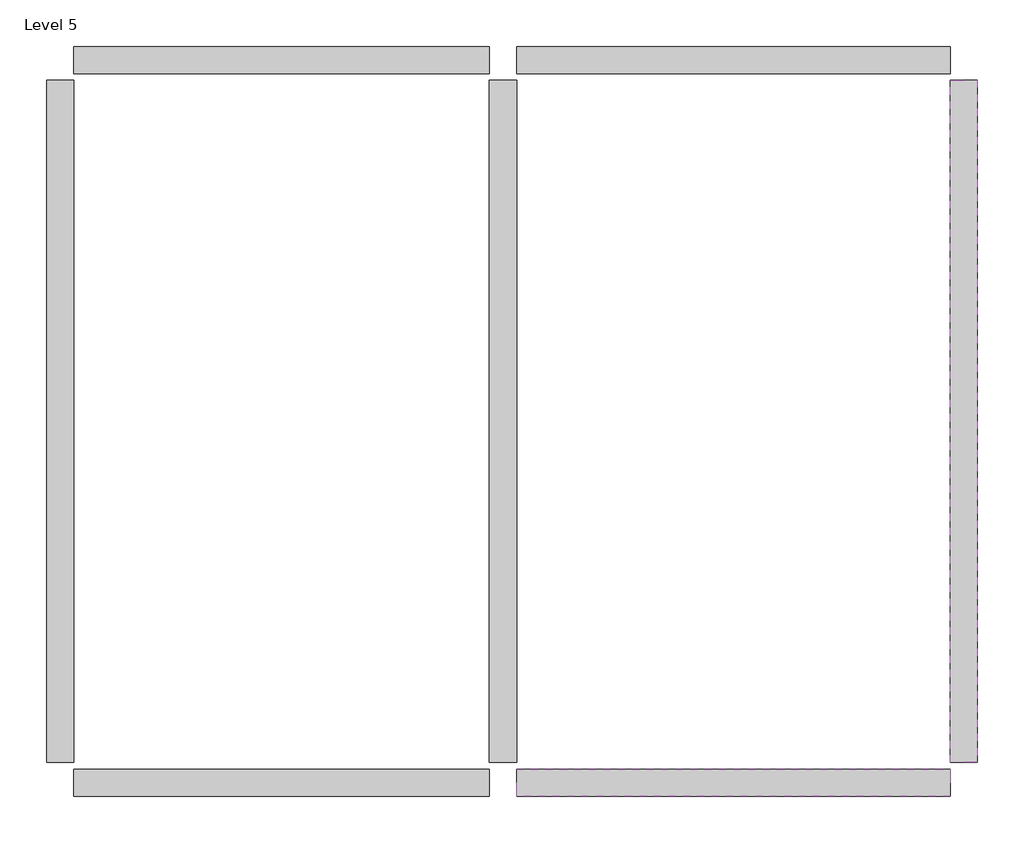
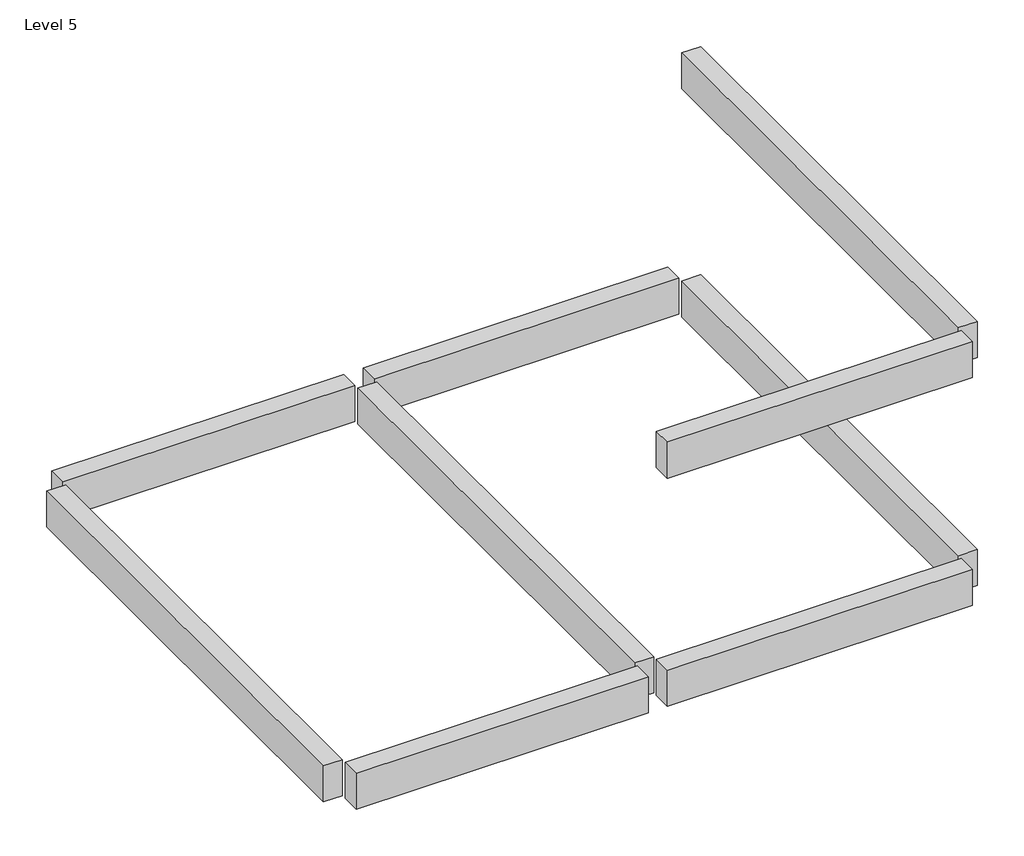
# One storey: 9 beams.
"""IFC4 building model written with IfcOpenShell, lengths in millimetres."""

import ifcopenshell
import ifcopenshell.guid

model = None  # the IFC model being written
_history = None  # IfcOwnerHistory: only IFC2X3 demands one
_inside = {}  # id of a spatial element -> (the spatial element, [elements in it])
_under = {}  # id of a project, library or spatial element -> (it, [spatial elements below it])
_declared = {}  # id of a project -> (the project, [libraries it declares])
_typed = {}  # id of a type object -> (the type object, [elements of that type])
_made_of = {}  # id of a material, layer set ... -> (it, [elements and type objects made of it])


def new_model(schema):
    """Start an empty IFC model of exactly this schema.

    Asked for "IFC4X3", IfcOpenShell would pick the latest addendum, in which some entities
    have other attributes; the version numbers below select the first issue.
    IFC2X3 requires an IfcOwnerHistory on every rooted entity: one is made here for all.
    """
    global model, _history
    if schema == "IFC4X3":
        model = ifcopenshell.file(schema_version=(4, 3, 0, 0))
    else:
        model = ifcopenshell.file(schema=schema)
    _inside.clear()
    _under.clear()
    _declared.clear()
    _typed.clear()
    _made_of.clear()
    _history = None
    if model.schema == "IFC2X3":
        org = make("IfcOrganization", Name="unknown")
        user = make(
            "IfcPersonAndOrganization",
            ThePerson=make("IfcPerson", FamilyName="unknown"),
            TheOrganization=org,
        )
        app = make(
            "IfcApplication",
            ApplicationDeveloper=org,
            Version="unknown",
            ApplicationFullName="unknown",
            ApplicationIdentifier="unknown",
        )
        _history = make(
            "IfcOwnerHistory",
            OwningUser=user,
            OwningApplication=app,
            ChangeAction="ADDED",
            CreationDate=0,
        )
    return model


def make(cls, **values):
    """One entity of the class cls with the attributes given. An attribute that is None is left unset."""
    return model.create_entity(
        cls, **{name: value for name, value in values.items() if value is not None}
    )


def rooted(cls, **values):
    """An entity with a GlobalId (a new one), such as an element, a storey or a relation."""
    return make(cls, GlobalId=ifcopenshell.guid.new(), OwnerHistory=_history, **values)


def si_unit(unit_type, name, prefix=None):
    """IfcSIUnit, for example si_unit("LENGTHUNIT", "METRE", prefix="MILLI")."""
    return make("IfcSIUnit", UnitType=unit_type, Prefix=prefix, Name=name)


def assignment(units):
    """IfcUnitAssignment: the units of a project."""
    return None if units is None else make("IfcUnitAssignment", Units=units)


def point(xyz):
    """IfcCartesianPoint."""
    return None if xyz is None else make("IfcCartesianPoint", Coordinates=xyz)


def direction(xyz):
    """IfcDirection."""
    return None if xyz is None else make("IfcDirection", DirectionRatios=xyz)


def frame(location, z_axis=None, x_axis=None):
    """IfcAxis2Placement3D, a coordinate frame: its origin and axes. An axis left out is left unset."""
    return make(
        "IfcAxis2Placement3D",
        Location=point(location),
        Axis=direction(z_axis),
        RefDirection=direction(x_axis),
    )


def origin():
    """The frame at (0, 0, 0) with its axes left unset."""
    return frame((0.0, 0.0, 0.0))


def place(relative_to, where):
    """IfcLocalPlacement: puts the frame where relative to a parent placement (None: the world)."""
    return make(
        "IfcLocalPlacement", PlacementRelTo=relative_to, RelativePlacement=where
    )


def context(
    kind, dimensions, precision=None, world=None, true_north=None, identifier=None
):
    """IfcGeometricRepresentationContext, for example the 3D "Model" context."""
    return make(
        "IfcGeometricRepresentationContext",
        ContextIdentifier=identifier,
        ContextType=kind,
        CoordinateSpaceDimension=dimensions,
        Precision=precision,
        WorldCoordinateSystem=world,
        TrueNorth=true_north,
    )


def project(units=None, contexts=None):
    """IfcProject with its units and contexts."""
    return rooted(
        "IfcProject",
        Name="project",
        RepresentationContexts=contexts,
        UnitsInContext=assignment(units),
    )


def spatial(cls, under=None, at=None, **own):
    """A site, building, storey or space (cls), placed at a placement, below another one or the project."""
    s = rooted(cls, ObjectPlacement=at, **own)
    if under is not None:
        _under.setdefault(under.id(), (under, []))[1].append(s)
    return s


def polyline(points):
    """IfcPolyline through the points."""
    return make("IfcPolyline", Points=[point(p) for p in points])


def outline(outer, holes=None, kind="AREA"):
    """IfcArbitraryClosedProfileDef: a profile drawn as a closed curve; with holes, ...WithVoids."""
    if holes is None:
        return make("IfcArbitraryClosedProfileDef", ProfileType=kind, OuterCurve=outer)
    return make(
        "IfcArbitraryProfileDefWithVoids",
        ProfileType=kind,
        OuterCurve=outer,
        InnerCurves=holes,
    )


def extrude(swept, where, along, depth):
    """IfcExtrudedAreaSolid: the profile swept, set in the frame where, extruded along a direction by depth."""
    return make(
        "IfcExtrudedAreaSolid",
        SweptArea=swept,
        Position=where,
        ExtrudedDirection=direction(along),
        Depth=depth,
    )


def shape(context_of_items, identifier, shape_type, items):
    """IfcShapeRepresentation: the items that make up one representation, for example the "Body"."""
    return make(
        "IfcShapeRepresentation",
        ContextOfItems=context_of_items,
        RepresentationIdentifier=identifier,
        RepresentationType=shape_type,
        Items=items,
    )


def made_of(thing, what):
    """Note that an element or type object is made of a material, layer set ...; save() writes the relation."""
    if what is not None:
        _made_of.setdefault(what.id(), (what, []))[1].append(thing)
    return thing


def element(
    cls,
    number,
    at=None,
    inside=None,
    cuts=None,
    type_object=None,
    material=None,
    context=None,
    identifier="Body",
    shape_type=None,
    held_by="IfcProductDefinitionShape",
    body=None,
    shapes=None,
    **own,
):
    """One element of the class cls, such as IfcWall. Its Tag is "e" and its number.

    at: its placement. inside: the storey or other place that contains it. cuts: it is an
    opening in that element (IfcRelVoidsElement). A single representation is given by context,
    identifier, shape_type and body (its items); several are given by shapes. held_by: the class
    of the entity that holds the representations. save() writes the other relations.
    """
    e = rooted(cls, Tag="e%d" % number, ObjectPlacement=at, **own)
    if body is not None:
        shapes = [shape(context, identifier, shape_type, body)]
    if shapes is not None:
        e.Representation = make(held_by, Representations=shapes)
    if inside is not None:
        _inside.setdefault(inside.id(), (inside, []))[1].append(e)
    if cuts is not None:
        rooted(
            "IfcRelVoidsElement", RelatingBuildingElement=cuts, RelatedOpeningElement=e
        )
    if type_object is not None:
        _typed.setdefault(type_object.id(), (type_object, []))[1].append(e)
    return made_of(e, material)


def aggregate(whole, parts):
    """IfcRelAggregates: a whole, such as a stair, and the parts it consists of."""
    return rooted("IfcRelAggregates", RelatingObject=whole, RelatedObjects=parts)


def save(model, path):
    """Write the relations noted so far, then the file.

    IfcRelAggregates (storeys below a building ...), IfcRelContainedInSpatialStructure (elements
    in a storey), IfcRelDefinesByType, IfcRelAssociatesMaterial and IfcRelDeclares: one each for
    every whole, place, type object, material and project.
    """
    for whole, parts in _under.values():
        aggregate(whole, parts)
    for where, things in _inside.values():
        rooted(
            "IfcRelContainedInSpatialStructure",
            RelatedElements=things,
            RelatingStructure=where,
        )
    for kind, things in _typed.values():
        rooted("IfcRelDefinesByType", RelatedObjects=things, RelatingType=kind)
    for what, things in _made_of.values():
        rooted("IfcRelAssociatesMaterial", RelatedObjects=things, RelatingMaterial=what)
    for by, libraries in _declared.values():
        rooted("IfcRelDeclares", RelatingContext=by, RelatedDefinitions=libraries)
    model.write(path)


model = new_model("IFC4")

# Units and contexts
model_context = context("Model", 3, world=origin())
ifc_project = project(units=[si_unit("LENGTHUNIT", "METRE", prefix="MILLI")], contexts=[model_context])

# Site, building, storey
site = spatial("IfcSite", under=ifc_project)
building = spatial("IfcBuilding", under=site)
storey = spatial("IfcBuildingStorey", under=building, Name="Level 5", Elevation=14000.0)

# Beams
placement = place(None, origin())
element("IfcBeam", 1, ObjectType="Concrete-Rectangular Beam : 300 x 600mm", at=placement, inside=storey, context=model_context, shape_type="SweptSolid", body=[
    extrude(outline(polyline([(-16221.2304607, -712.1047847), (-16521.2304607, -712.1047847), (-16521.2304607, 6837.8952153), (-16221.2304607, 6837.8952153), (-16221.2304607, -712.1047847)])), frame((0.0, 0.0, 13400.0), z_axis=(0.0, 0.0, 1.0), x_axis=(1.0, 0.0, 0.0)), (0.0, 0.0, 1.0), 600.0),
])
element("IfcBeam", 2, ObjectType="Concrete-Rectangular Beam : 300 x 600mm", at=placement, inside=storey, context=model_context, shape_type="SweptSolid", body=[
    extrude(outline(polyline([(-16221.2304607, 6912.8952153), (-16221.2304607, 7212.8952153), (-11621.2304607, 7212.8952153), (-11621.2304607, 6912.8952153), (-16221.2304607, 6912.8952153)])), frame((0.0, 0.0, 13400.0), z_axis=(0.0, 0.0, 1.0), x_axis=(1.0, 0.0, 0.0)), (0.0, 0.0, 1.0), 600.0),
])
element("IfcBeam", 3, ObjectType="Concrete-Rectangular Beam : 300 x 600mm", at=placement, inside=storey, context=model_context, shape_type="SweptSolid", body=[
    extrude(outline(polyline([(-11321.2304607, 6912.8952153), (-11321.2304607, 7212.8952153), (-6521.2304607, 7212.8952153), (-6521.2304607, 6912.8952153), (-11321.2304607, 6912.8952153)])), frame((0.0, 0.0, 13400.0), z_axis=(0.0, 0.0, 1.0), x_axis=(1.0, 0.0, 0.0)), (0.0, 0.0, 1.0), 600.0),
])
element("IfcBeam", 4, ObjectType="Concrete-Rectangular Beam : 300 x 600mm", at=placement, inside=storey, context=model_context, shape_type="SweptSolid", body=[
    extrude(outline(polyline([(-6521.2304607, 6837.8952153), (-6221.2304607, 6837.8952153), (-6221.2304607, -712.1047847), (-6521.2304607, -712.1047847), (-6521.2304607, 6837.8952153)])), frame((0.0, 0.0, 13400.0), z_axis=(0.0, 0.0, 1.0), x_axis=(1.0, 0.0, 0.0)), (0.0, 0.0, 1.0), 600.0),
])
element("IfcBeam", 5, ObjectType="Concrete-Rectangular Beam : 300 x 600mm", at=placement, inside=storey, context=model_context, shape_type="SweptSolid", body=[
    extrude(outline(polyline([(-6521.2304607, -787.1047847), (-6521.2304607, -1087.1047847), (-11321.2304607, -1087.1047847), (-11321.2304607, -787.1047847), (-6521.2304607, -787.1047847)])), frame((0.0, 0.0, 13400.0), z_axis=(0.0, 0.0, 1.0), x_axis=(1.0, 0.0, 0.0)), (0.0, 0.0, 1.0), 600.0),
])
element("IfcBeam", 6, ObjectType="Concrete-Rectangular Beam : 300 x 600mm", at=placement, inside=storey, context=model_context, shape_type="SweptSolid", body=[
    extrude(outline(polyline([(-16221.2304607, -1087.1047847), (-16221.2304607, -787.1047847), (-11621.2304607, -787.1047847), (-11621.2304607, -1087.1047847), (-16221.2304607, -1087.1047847)])), frame((0.0, 0.0, 13400.0), z_axis=(0.0, 0.0, 1.0), x_axis=(1.0, 0.0, 0.0)), (0.0, 0.0, 1.0), 600.0),
])
element("IfcBeam", 7, ObjectType="Concrete-Rectangular Beam : 300 x 600mm", at=placement, inside=storey, context=model_context, shape_type="SweptSolid", body=[
    extrude(outline(polyline([(-11621.2304607, 6837.8952153), (-11321.2304607, 6837.8952153), (-11321.2304607, -712.1047847), (-11621.2304607, -712.1047847), (-11621.2304607, 6837.8952153)])), frame((0.0, 0.0, 13400.0), z_axis=(0.0, 0.0, 1.0), x_axis=(1.0, 0.0, 0.0)), (0.0, 0.0, 1.0), 600.0),
])
element("IfcBeam", 8, ObjectType="Concrete-Rectangular Beam : 300 x 600mm", at=placement, inside=storey, context=model_context, shape_type="SweptSolid", body=[
    extrude(outline(polyline([(-6521.2304607, 6837.8952153), (-6221.2304607, 6837.8952153), (-6221.2304607, -712.1047847), (-6521.2304607, -712.1047847), (-6521.2304607, 6837.8952153)])), frame((0.0, 0.0, 17200.0), z_axis=(0.0, 0.0, 1.0), x_axis=(1.0, 0.0, 0.0)), (0.0, 0.0, 1.0), 600.0),
])
element("IfcBeam", 9, ObjectType="Concrete-Rectangular Beam : 300 x 600mm", at=placement, inside=storey, context=model_context, shape_type="SweptSolid", body=[
    extrude(outline(polyline([(-6521.2304607, -787.1047847), (-6521.2304607, -1087.1047847), (-11321.2304607, -1087.1047847), (-11321.2304607, -787.1047847), (-6521.2304607, -787.1047847)])), frame((0.0, 0.0, 17200.0), z_axis=(0.0, 0.0, 1.0), x_axis=(1.0, 0.0, 0.0)), (0.0, 0.0, 1.0), 600.0),
])

save(model, "model.ifc")
